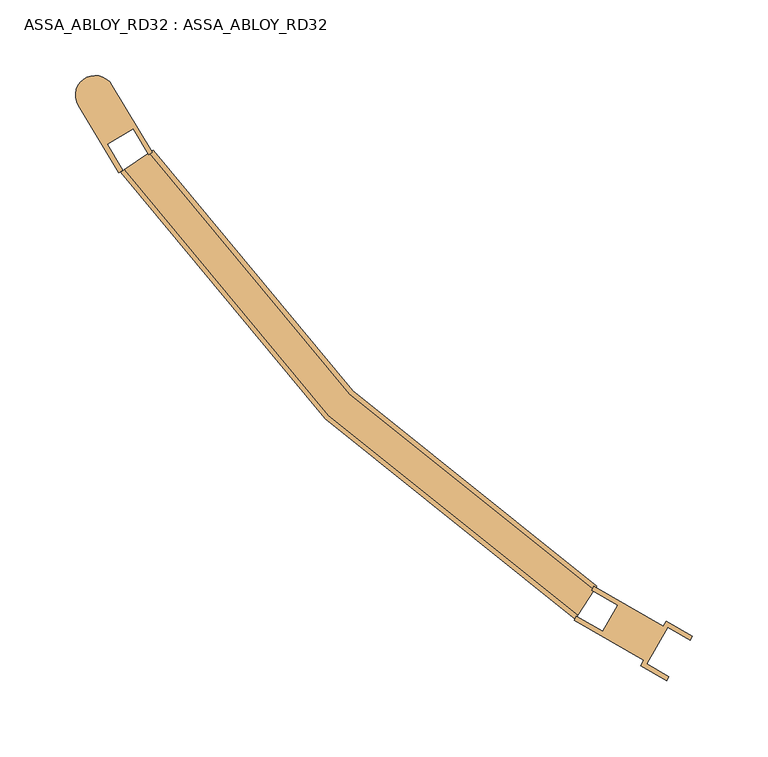
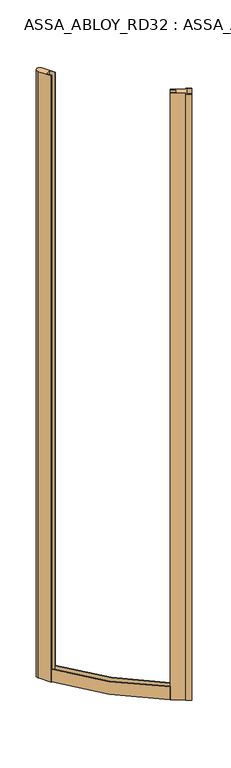
"""IFC4 building model written with IfcOpenShell, lengths in millimetres: door geometry, ASSA_ABLOY_RD32 : ASSA_ABLOY_RD32."""

from ifc_helpers import new_model, si_unit, point, frame, frame_2d, origin, place, context, project, spatial, polyline, circle_curve, trimmed, segment, composite_curve, outline, extrude, source, transform, mapped, element, save
from ifc_brep_helpers import plane_surface, cylinder_surface, revolved_surface, advanced_brep


def assa_abloy_rd32_assa_abloy_rd32_135b0644(model_context):
    return source(origin(), model_context, "Body", "SolidModel", [
        advanced_brep(
        [(-430.3575895, -858.5360783, 10.0), (-430.3575895, -858.5360783, 63.0), (-431.9870005, -861.0550106, 63.0), (-431.9870005, -861.0550106, 43.0), (-442.8497407, -877.8478923, 43.0), (-442.8497407, -877.8478923, 63.0), (-444.4791517, -880.3668246, 63.0), (-444.4791517, -880.3668246, 10.0), (-723.7129927, -570.2565264, 10.0), (-745.2939588, -584.7569369, 10.0), (-745.2939588, -584.7569369, 63.0), (-742.8038474, -583.0838126, 63.0), (-742.8038474, -583.0838126, 43.0), (-726.2031042, -571.9296507, 43.0), (-726.2031042, -571.9296507, 63.0), (-723.7129927, -570.2565264, 63.0)],
        [
            (0, 1),
            (1, 2),
            (2, 3),
            (3, 4),
            (4, 5),
            (5, 6),
            (6, 7),
            (7, 0),
            (8, 9),
            (9, 10),
            (10, 11),
            (11, 12),
            (12, 13),
            (13, 14),
            (14, 15),
            (15, 8),
            (15, 1, circle_curve(frame((125.0, 0.0, 63.0), z_axis=(0.0, 0.0, 1.0), x_axis=(-0.5431370068511069, -0.8396440863775679, 0.0)), 1022.5)),
            (0, 8, circle_curve(frame((125.0, 0.0, 10.0), z_axis=(0.0, 0.0, -1.0), x_axis=(-0.5431370068511069, -0.8396440863775679, 0.0)), 1022.5)),
            (14, 2, circle_curve(frame((125.0, 0.0, 63.0), z_axis=(0.0, 0.0, 1.0), x_axis=(-0.5431370068511069, -0.8396440863775679, 0.0)), 1025.5)),
            (13, 3, circle_curve(frame((125.0, 0.0, 43.0), z_axis=(0.0, 0.0, 1.0), x_axis=(-0.5431370068511069, -0.8396440863775679, 0.0)), 1025.5)),
            (12, 4, circle_curve(frame((125.0, 0.0, 43.0), z_axis=(0.0, 0.0, 1.0), x_axis=(-0.5431370068511069, -0.8396440863775679, 0.0)), 1045.5)),
            (11, 5, circle_curve(frame((125.0, 0.0, 63.0), z_axis=(0.0, 0.0, 1.0), x_axis=(-0.5431370068511069, -0.8396440863775679, 0.0)), 1045.5)),
            (10, 6, circle_curve(frame((125.0, 0.0, 63.0), z_axis=(0.0, 0.0, 1.0), x_axis=(-0.5431370068511069, -0.8396440863775679, 0.0)), 1048.5)),
            (9, 7, circle_curve(frame((125.0, 0.0, 10.0), z_axis=(0.0, 0.0, 1.0), x_axis=(-0.5431370068511069, -0.8396440863775679, 0.0)), 1048.5)),
        ],
        [
            plane_surface(frame((-444.4791517, -880.3668246, 0.0), z_axis=(0.8396440863775679, -0.5431370068511068, 0.0), x_axis=(0.0, 0.0, 1.0))),
            plane_surface(frame((-745.2939588, -584.7569369, 0.0), z_axis=(-0.5577080943123598, 0.830037156721599, 0.0), x_axis=(0.0, 0.0, 1.0))),
            revolved_surface(polyline([(-430.3575895052568, -858.5360783210632, 10.0), (-430.3575895052568, -858.5360783210632, 63.0)]), (125.0, 0.0, 0.0), (0.0, 0.0, -1.0)),
            plane_surface(frame((125.0, 0.0, 63.0), z_axis=(0.0, 0.0, 1.0), x_axis=(-0.5431370068511069, -0.8396440863775679, 0.0))),
            cylinder_surface(frame((125.0, 0.0, 0.0), z_axis=(0.0, 0.0, -1.0), x_axis=(-0.5431370068511069, -0.8396440863775679, 0.0)), 1025.5),
            plane_surface(frame((125.0, 0.0, 43.0), z_axis=(0.0, 0.0, 1.0), x_axis=(-0.5431370068511069, -0.8396440863775679, 0.0))),
            revolved_surface(polyline([(-442.84974066283223, -877.8478923077473, 43.0), (-442.84974066283223, -877.8478923077473, 63.0)]), (125.0, 0.0, 0.0), (0.0, 0.0, -1.0)),
            cylinder_surface(frame((125.0, 0.0, 0.0), z_axis=(0.0, 0.0, -1.0), x_axis=(-0.5431370068511069, -0.8396440863775679, 0.0)), 1048.5),
            plane_surface(frame((125.0, 0.0, 10.0), z_axis=(0.0, 0.0, -1.0), x_axis=(-0.5431370068511069, -0.8396440863775679, 0.0))),
        ],
        [
            (0, [[1, 2, 3, 4, 5, 6, 7, 8]]),
            (1, [[9, 10, 11, 12, 13, 14, 15, 16]]),
            (2, [[17, -1, 18, -16]]),
            (3, [[19, -2, -17, -15]]),
            (4, [[20, -3, -19, -14]]),
            (5, [[21, -4, -20, -13]]),
            (6, [[22, -5, -21, -12]]),
            (3, [[23, -6, -22, -11]]),
            (7, [[24, -7, -23, -10]]),
            (8, [[-18, -8, -24, -9]]),
        ],
    ),
        extrude(outline(composite_curve([segment(polyline([(-746.4428968, -585.4472885), (-773.2248767, -540.8745888)]), True, "CONTINUOUS"), segment(trimmed(circle_curve(frame_2d((-762.0817018, -534.1790939)), 13.0), [point((-773.2248767, -540.8745888))], [point((-750.9385269, -527.4835989))], False, "CARTESIAN"), True, "CONTINUOUS"), segment(polyline([(-750.9385269, -527.4835989), (-724.156547, -572.0562985), (-726.7280489, -573.6014128), (-737.0288104, -556.4580667), (-754.1721564, -566.7588282), (-743.8713949, -583.9021743), (-746.4428968, -585.4472885)]), True, "CONTINUOUS")], self_intersect=False)), frame((0.0, 0.0, 10.0), z_axis=(0.0, 0.0, 1.0), x_axis=(1.0, 0.0, 0.0)), (0.0, 0.0, 1.0), 2546.0),
        extrude(outline(polyline([(-445.1493464, -881.5276359), (-443.6493464, -878.9295597), (-426.3288383, -888.9295597), (-416.3288383, -871.6090516), (-433.6493464, -861.6090516), (-432.1493464, -859.0109754), (-386.25, -885.5109754), (-384.25, -882.0468738), (-366.9294919, -892.0468738), (-368.4294919, -894.64495), (-383.1519238, -886.14495), (-397.1519238, -910.3936613), (-382.4294919, -918.8936613), (-383.9294919, -921.4917375), (-401.25, -911.4917375), (-399.25, -908.0276359), (-445.1493464, -881.5276359)])), frame((0.0, 0.0, 10.0), z_axis=(0.0, 0.0, 1.0), x_axis=(1.0, 0.0, 0.0)), (0.0, 0.0, 1.0), 2546.0),
    ])


if __name__ == "__main__":
    model = new_model("IFC4")
    model_context = context("Model", 3, world=origin())
    ifc_project = project(units=[si_unit("LENGTHUNIT", "METRE", prefix="MILLI")], contexts=[model_context])
    site = spatial("IfcSite", under=ifc_project)
    building = spatial("IfcBuilding", under=site)
    placement = place(None, origin())
    assa_abloy_rd32_assa_abloy_rd32_shape = assa_abloy_rd32_assa_abloy_rd32_135b0644(model_context)
    element("IfcDoor", 1, ObjectType="ASSA_ABLOY_RD32 : ASSA_ABLOY_RD32", at=placement, inside=building, context=model_context, shape_type="MappedRepresentation", body=[
        mapped(assa_abloy_rd32_assa_abloy_rd32_shape, transform((0.0, 0.0, 0.0), x_axis=(1.0, 0.0, 0.0), y_axis=(0.0, 1.0, 0.0), z_axis=(0.0, 0.0, 1.0))),
    ])
    save(model, "model.ifc")
